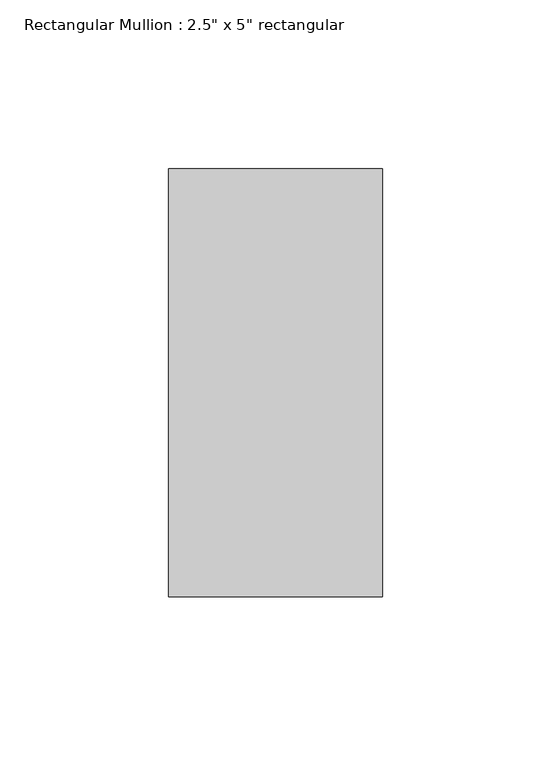
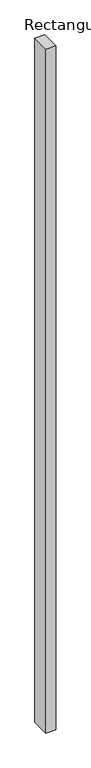
"""IFC4 building model written with IfcOpenShell, lengths in millimetres: member geometry."""

import ifcopenshell
import ifcopenshell.guid

model = None  # the IFC model being written
_history = None  # IfcOwnerHistory: only IFC2X3 demands one
_inside = {}  # id of a spatial element -> (the spatial element, [elements in it])
_under = {}  # id of a project, library or spatial element -> (it, [spatial elements below it])
_declared = {}  # id of a project -> (the project, [libraries it declares])
_typed = {}  # id of a type object -> (the type object, [elements of that type])
_made_of = {}  # id of a material, layer set ... -> (it, [elements and type objects made of it])


def new_model(schema):
    """Start an empty IFC model of exactly this schema.

    Asked for "IFC4X3", IfcOpenShell would pick the latest addendum, in which some entities
    have other attributes; the version numbers below select the first issue.
    IFC2X3 requires an IfcOwnerHistory on every rooted entity: one is made here for all.
    """
    global model, _history
    if schema == "IFC4X3":
        model = ifcopenshell.file(schema_version=(4, 3, 0, 0))
    else:
        model = ifcopenshell.file(schema=schema)
    _inside.clear()
    _under.clear()
    _declared.clear()
    _typed.clear()
    _made_of.clear()
    _history = None
    if model.schema == "IFC2X3":
        org = make("IfcOrganization", Name="unknown")
        user = make(
            "IfcPersonAndOrganization",
            ThePerson=make("IfcPerson", FamilyName="unknown"),
            TheOrganization=org,
        )
        app = make(
            "IfcApplication",
            ApplicationDeveloper=org,
            Version="unknown",
            ApplicationFullName="unknown",
            ApplicationIdentifier="unknown",
        )
        _history = make(
            "IfcOwnerHistory",
            OwningUser=user,
            OwningApplication=app,
            ChangeAction="ADDED",
            CreationDate=0,
        )
    return model


def make(cls, **values):
    """One entity of the class cls with the attributes given. An attribute that is None is left unset."""
    return model.create_entity(
        cls, **{name: value for name, value in values.items() if value is not None}
    )


def rooted(cls, **values):
    """An entity with a GlobalId (a new one), such as an element, a storey or a relation."""
    return make(cls, GlobalId=ifcopenshell.guid.new(), OwnerHistory=_history, **values)


def si_unit(unit_type, name, prefix=None):
    """IfcSIUnit, for example si_unit("LENGTHUNIT", "METRE", prefix="MILLI")."""
    return make("IfcSIUnit", UnitType=unit_type, Prefix=prefix, Name=name)


def assignment(units):
    """IfcUnitAssignment: the units of a project."""
    return None if units is None else make("IfcUnitAssignment", Units=units)


def point(xyz):
    """IfcCartesianPoint."""
    return None if xyz is None else make("IfcCartesianPoint", Coordinates=xyz)


def direction(xyz):
    """IfcDirection."""
    return None if xyz is None else make("IfcDirection", DirectionRatios=xyz)


def frame(location, z_axis=None, x_axis=None):
    """IfcAxis2Placement3D, a coordinate frame: its origin and axes. An axis left out is left unset."""
    return make(
        "IfcAxis2Placement3D",
        Location=point(location),
        Axis=direction(z_axis),
        RefDirection=direction(x_axis),
    )


def origin():
    """The frame at (0, 0, 0) with its axes left unset."""
    return frame((0.0, 0.0, 0.0))


def place(relative_to, where):
    """IfcLocalPlacement: puts the frame where relative to a parent placement (None: the world)."""
    return make(
        "IfcLocalPlacement", PlacementRelTo=relative_to, RelativePlacement=where
    )


def context(
    kind, dimensions, precision=None, world=None, true_north=None, identifier=None
):
    """IfcGeometricRepresentationContext, for example the 3D "Model" context."""
    return make(
        "IfcGeometricRepresentationContext",
        ContextIdentifier=identifier,
        ContextType=kind,
        CoordinateSpaceDimension=dimensions,
        Precision=precision,
        WorldCoordinateSystem=world,
        TrueNorth=true_north,
    )


def project(units=None, contexts=None):
    """IfcProject with its units and contexts."""
    return rooted(
        "IfcProject",
        Name="project",
        RepresentationContexts=contexts,
        UnitsInContext=assignment(units),
    )


def spatial(cls, under=None, at=None, **own):
    """A site, building, storey or space (cls), placed at a placement, below another one or the project."""
    s = rooted(cls, ObjectPlacement=at, **own)
    if under is not None:
        _under.setdefault(under.id(), (under, []))[1].append(s)
    return s


def polyline(points):
    """IfcPolyline through the points."""
    return make("IfcPolyline", Points=[point(p) for p in points])


def outline(outer, holes=None, kind="AREA"):
    """IfcArbitraryClosedProfileDef: a profile drawn as a closed curve; with holes, ...WithVoids."""
    if holes is None:
        return make("IfcArbitraryClosedProfileDef", ProfileType=kind, OuterCurve=outer)
    return make(
        "IfcArbitraryProfileDefWithVoids",
        ProfileType=kind,
        OuterCurve=outer,
        InnerCurves=holes,
    )


def extrude(swept, where, along, depth):
    """IfcExtrudedAreaSolid: the profile swept, set in the frame where, extruded along a direction by depth."""
    return make(
        "IfcExtrudedAreaSolid",
        SweptArea=swept,
        Position=where,
        ExtrudedDirection=direction(along),
        Depth=depth,
    )


def shape(context_of_items, identifier, shape_type, items):
    """IfcShapeRepresentation: the items that make up one representation, for example the "Body"."""
    return make(
        "IfcShapeRepresentation",
        ContextOfItems=context_of_items,
        RepresentationIdentifier=identifier,
        RepresentationType=shape_type,
        Items=items,
    )


def source(mapping_origin, context_of_items, identifier, shape_type, items):
    """IfcRepresentationMap: a shape defined once, which mapped items show again and again."""
    return make(
        "IfcRepresentationMap",
        MappingOrigin=mapping_origin,
        MappedRepresentation=shape(context_of_items, identifier, shape_type, items),
    )


def transform(
    local_origin,
    x_axis=None,
    y_axis=None,
    z_axis=None,
    scale=None,
    scale2=None,
    scale3=None,
    uniform=True,
):
    """IfcCartesianTransformationOperator3D, or its non-uniform kind. x_axis, y_axis, z_axis: its Axis1, 2, 3."""
    if uniform:
        return make(
            "IfcCartesianTransformationOperator3D",
            Axis1=direction(x_axis),
            Axis2=direction(y_axis),
            LocalOrigin=point(local_origin),
            Scale=scale,
            Axis3=direction(z_axis),
        )
    return make(
        "IfcCartesianTransformationOperator3DnonUniform",
        Axis1=direction(x_axis),
        Axis2=direction(y_axis),
        LocalOrigin=point(local_origin),
        Scale=scale,
        Axis3=direction(z_axis),
        Scale2=scale2,
        Scale3=scale3,
    )


def mapped(mapping_source, mapping_target):
    """IfcMappedItem: shows the shape of a source again, moved by a transform."""
    return make(
        "IfcMappedItem", MappingSource=mapping_source, MappingTarget=mapping_target
    )


def made_of(thing, what):
    """Note that an element or type object is made of a material, layer set ...; save() writes the relation."""
    if what is not None:
        _made_of.setdefault(what.id(), (what, []))[1].append(thing)
    return thing


def element(
    cls,
    number,
    at=None,
    inside=None,
    cuts=None,
    type_object=None,
    material=None,
    context=None,
    identifier="Body",
    shape_type=None,
    held_by="IfcProductDefinitionShape",
    body=None,
    shapes=None,
    **own,
):
    """One element of the class cls, such as IfcWall. Its Tag is "e" and its number.

    at: its placement. inside: the storey or other place that contains it. cuts: it is an
    opening in that element (IfcRelVoidsElement). A single representation is given by context,
    identifier, shape_type and body (its items); several are given by shapes. held_by: the class
    of the entity that holds the representations. save() writes the other relations.
    """
    e = rooted(cls, Tag="e%d" % number, ObjectPlacement=at, **own)
    if body is not None:
        shapes = [shape(context, identifier, shape_type, body)]
    if shapes is not None:
        e.Representation = make(held_by, Representations=shapes)
    if inside is not None:
        _inside.setdefault(inside.id(), (inside, []))[1].append(e)
    if cuts is not None:
        rooted(
            "IfcRelVoidsElement", RelatingBuildingElement=cuts, RelatedOpeningElement=e
        )
    if type_object is not None:
        _typed.setdefault(type_object.id(), (type_object, []))[1].append(e)
    return made_of(e, material)


def aggregate(whole, parts):
    """IfcRelAggregates: a whole, such as a stair, and the parts it consists of."""
    return rooted("IfcRelAggregates", RelatingObject=whole, RelatedObjects=parts)


def save(model, path):
    """Write the relations noted so far, then the file.

    IfcRelAggregates (storeys below a building ...), IfcRelContainedInSpatialStructure (elements
    in a storey), IfcRelDefinesByType, IfcRelAssociatesMaterial and IfcRelDeclares: one each for
    every whole, place, type object, material and project.
    """
    for whole, parts in _under.values():
        aggregate(whole, parts)
    for where, things in _inside.values():
        rooted(
            "IfcRelContainedInSpatialStructure",
            RelatedElements=things,
            RelatingStructure=where,
        )
    for kind, things in _typed.values():
        rooted("IfcRelDefinesByType", RelatedObjects=things, RelatingType=kind)
    for what, things in _made_of.values():
        rooted("IfcRelAssociatesMaterial", RelatedObjects=things, RelatingMaterial=what)
    for by, libraries in _declared.values():
        rooted("IfcRelDeclares", RelatingContext=by, RelatedDefinitions=libraries)
    model.write(path)


def member_fcfe8146(model_context):
    return source(origin(), model_context, "Body", "SweptSolid", [
        extrude(outline(polyline([(31.75, 63.5), (31.75, -63.5), (-31.75, -63.5), (-31.75, 63.5), (31.75, 63.5)])), frame((0.0, 0.0, -4781.55), z_axis=(0.0, 0.0, 1.0), x_axis=(1.0, 0.0, 0.0)), (0.0, 0.0, 1.0), 4781.55),
    ])


if __name__ == "__main__":
    model = new_model("IFC4")
    model_context = context("Model", 3, world=origin())
    ifc_project = project(units=[si_unit("LENGTHUNIT", "METRE", prefix="MILLI")], contexts=[model_context])
    site = spatial("IfcSite", under=ifc_project)
    building = spatial("IfcBuilding", under=site)
    placement = place(None, origin())
    member_shape = member_fcfe8146(model_context)
    element("IfcMember", 1, ObjectType="Rectangular Mullion : 2.5\" x 5\" rectangular", at=placement, inside=building, context=model_context, shape_type="MappedRepresentation", body=[
        mapped(member_shape, transform((0.0, 0.0, 0.0), x_axis=(1.0, 0.0, 0.0), y_axis=(0.0, 1.0, 0.0), z_axis=(0.0, 0.0, 1.0))),
    ])
    save(model, "model.ifc")
